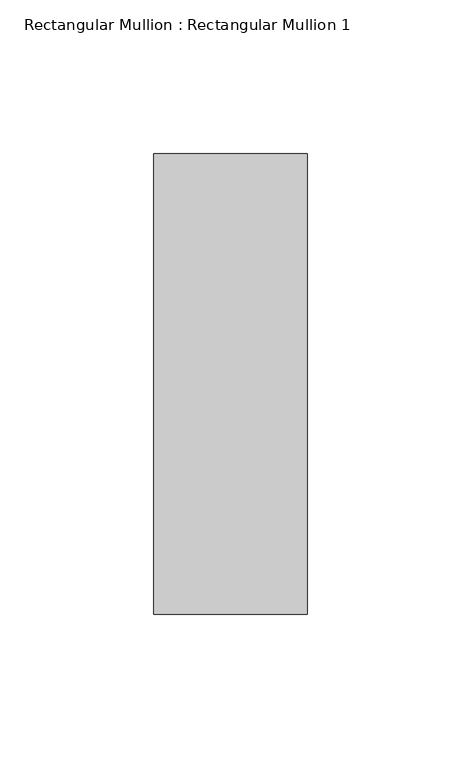
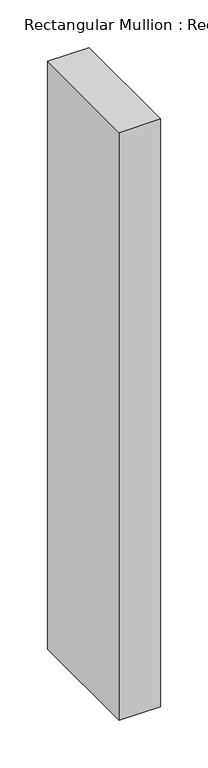
"""IFC4 building model written with IfcOpenShell, lengths in millimetres: member geometry, Rectangular Mullion : Rectangular Mullion 1."""

from ifc_helpers import new_model, si_unit, frame, origin, place, context, project, spatial, polyline, outline, extrude, source, transform, mapped, element, save


def rectangular_mullion_rectangular_mullion_1_cc983467(model_context):
    return source(origin(), model_context, "Body", "SweptSolid", [
        extrude(outline(polyline([(25.0, 75.0), (25.0, -75.0), (-25.0, -75.0), (-25.0, 75.0), (25.0, 75.0)])), frame((0.0, 0.0, -751.6666667), z_axis=(0.0, 0.0, 1.0), x_axis=(1.0, 0.0, 0.0)), (0.0, 0.0, 1.0), 751.6666667),
    ])


if __name__ == "__main__":
    model = new_model("IFC4")
    model_context = context("Model", 3, world=origin())
    ifc_project = project(units=[si_unit("LENGTHUNIT", "METRE", prefix="MILLI")], contexts=[model_context])
    site = spatial("IfcSite", under=ifc_project)
    building = spatial("IfcBuilding", under=site)
    placement = place(None, origin())
    rectangular_mullion_rectangular_mullion_1_shape = rectangular_mullion_rectangular_mullion_1_cc983467(model_context)
    element("IfcMember", 1, ObjectType="Rectangular Mullion : Rectangular Mullion 1", at=placement, inside=building, context=model_context, shape_type="MappedRepresentation", body=[
        mapped(rectangular_mullion_rectangular_mullion_1_shape, transform((0.0, 0.0, 0.0), x_axis=(1.0, 0.0, 0.0), y_axis=(0.0, 1.0, 0.0), z_axis=(0.0, 0.0, 1.0))),
    ])
    save(model, "model.ifc")
